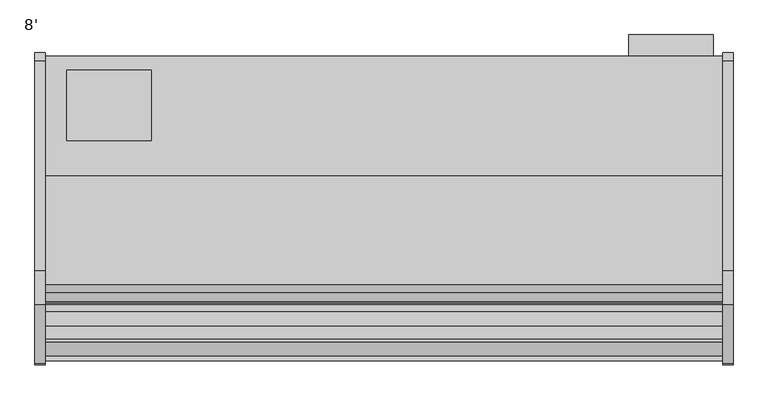
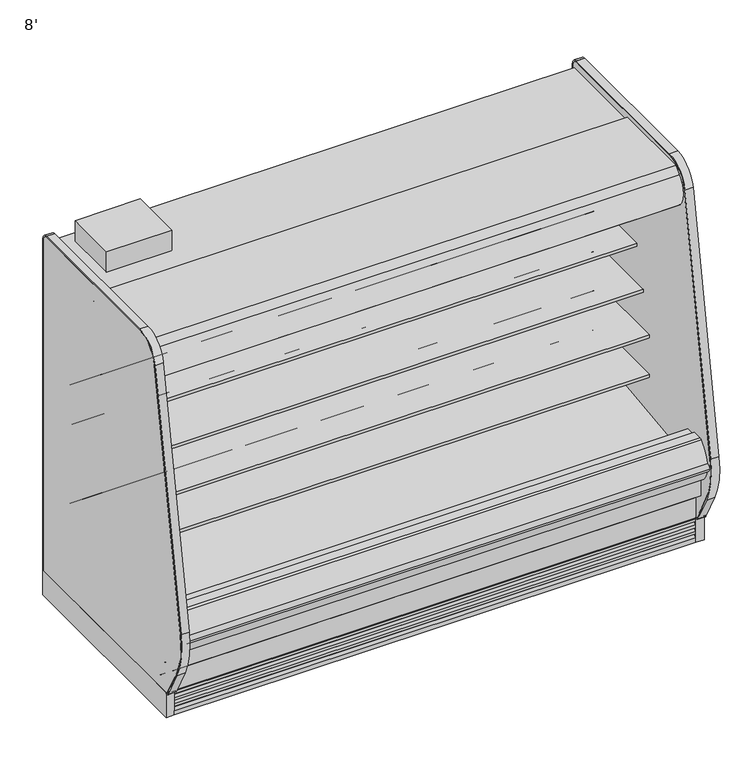
"""IFC4 building model written with IfcOpenShell, lengths in millimetres: proxy geometry, 8'."""

import ifcopenshell
import ifcopenshell.guid

model = None  # the IFC model being written
_history = None  # IfcOwnerHistory: only IFC2X3 demands one
_inside = {}  # id of a spatial element -> (the spatial element, [elements in it])
_under = {}  # id of a project, library or spatial element -> (it, [spatial elements below it])
_declared = {}  # id of a project -> (the project, [libraries it declares])
_typed = {}  # id of a type object -> (the type object, [elements of that type])
_made_of = {}  # id of a material, layer set ... -> (it, [elements and type objects made of it])


def new_model(schema):
    """Start an empty IFC model of exactly this schema.

    Asked for "IFC4X3", IfcOpenShell would pick the latest addendum, in which some entities
    have other attributes; the version numbers below select the first issue.
    IFC2X3 requires an IfcOwnerHistory on every rooted entity: one is made here for all.
    """
    global model, _history
    if schema == "IFC4X3":
        model = ifcopenshell.file(schema_version=(4, 3, 0, 0))
    else:
        model = ifcopenshell.file(schema=schema)
    _inside.clear()
    _under.clear()
    _declared.clear()
    _typed.clear()
    _made_of.clear()
    _history = None
    if model.schema == "IFC2X3":
        org = make("IfcOrganization", Name="unknown")
        user = make(
            "IfcPersonAndOrganization",
            ThePerson=make("IfcPerson", FamilyName="unknown"),
            TheOrganization=org,
        )
        app = make(
            "IfcApplication",
            ApplicationDeveloper=org,
            Version="unknown",
            ApplicationFullName="unknown",
            ApplicationIdentifier="unknown",
        )
        _history = make(
            "IfcOwnerHistory",
            OwningUser=user,
            OwningApplication=app,
            ChangeAction="ADDED",
            CreationDate=0,
        )
    return model


def make(cls, **values):
    """One entity of the class cls with the attributes given. An attribute that is None is left unset."""
    return model.create_entity(
        cls, **{name: value for name, value in values.items() if value is not None}
    )


def rooted(cls, **values):
    """An entity with a GlobalId (a new one), such as an element, a storey or a relation."""
    return make(cls, GlobalId=ifcopenshell.guid.new(), OwnerHistory=_history, **values)


def si_unit(unit_type, name, prefix=None):
    """IfcSIUnit, for example si_unit("LENGTHUNIT", "METRE", prefix="MILLI")."""
    return make("IfcSIUnit", UnitType=unit_type, Prefix=prefix, Name=name)


def assignment(units):
    """IfcUnitAssignment: the units of a project."""
    return None if units is None else make("IfcUnitAssignment", Units=units)


def point(xyz):
    """IfcCartesianPoint."""
    return None if xyz is None else make("IfcCartesianPoint", Coordinates=xyz)


def direction(xyz):
    """IfcDirection."""
    return None if xyz is None else make("IfcDirection", DirectionRatios=xyz)


def frame(location, z_axis=None, x_axis=None):
    """IfcAxis2Placement3D, a coordinate frame: its origin and axes. An axis left out is left unset."""
    return make(
        "IfcAxis2Placement3D",
        Location=point(location),
        Axis=direction(z_axis),
        RefDirection=direction(x_axis),
    )


def frame_2d(location, x_axis=None):
    """IfcAxis2Placement2D, a coordinate frame in the plane: its origin and x axis."""
    return make(
        "IfcAxis2Placement2D", Location=point(location), RefDirection=direction(x_axis)
    )


def origin():
    """The frame at (0, 0, 0) with its axes left unset."""
    return frame((0.0, 0.0, 0.0))


def origin_with_axes():
    """The frame at (0, 0, 0) with the z axis (0, 0, 1) and the x axis (1, 0, 0) written out."""
    return frame((0.0, 0.0, 0.0), z_axis=(0.0, 0.0, 1.0), x_axis=(1.0, 0.0, 0.0))


def place(relative_to, where):
    """IfcLocalPlacement: puts the frame where relative to a parent placement (None: the world)."""
    return make(
        "IfcLocalPlacement", PlacementRelTo=relative_to, RelativePlacement=where
    )


def context(
    kind, dimensions, precision=None, world=None, true_north=None, identifier=None
):
    """IfcGeometricRepresentationContext, for example the 3D "Model" context."""
    return make(
        "IfcGeometricRepresentationContext",
        ContextIdentifier=identifier,
        ContextType=kind,
        CoordinateSpaceDimension=dimensions,
        Precision=precision,
        WorldCoordinateSystem=world,
        TrueNorth=true_north,
    )


def project(units=None, contexts=None):
    """IfcProject with its units and contexts."""
    return rooted(
        "IfcProject",
        Name="project",
        RepresentationContexts=contexts,
        UnitsInContext=assignment(units),
    )


def spatial(cls, under=None, at=None, **own):
    """A site, building, storey or space (cls), placed at a placement, below another one or the project."""
    s = rooted(cls, ObjectPlacement=at, **own)
    if under is not None:
        _under.setdefault(under.id(), (under, []))[1].append(s)
    return s


def polyline(points):
    """IfcPolyline through the points."""
    return make("IfcPolyline", Points=[point(p) for p in points])


def circle_curve(where, radius):
    """IfcCircle in the frame where."""
    return make("IfcCircle", Position=where, Radius=radius)


def trimmed(basis, trim1, trim2, sense, master):
    """IfcTrimmedCurve: the piece of a basis curve between two trims."""
    return make(
        "IfcTrimmedCurve",
        BasisCurve=basis,
        Trim1=trim1,
        Trim2=trim2,
        SenseAgreement=sense,
        MasterRepresentation=master,
    )


def segment(curve, same_sense, transition):
    """IfcCompositeCurveSegment."""
    return make(
        "IfcCompositeCurveSegment",
        Transition=transition,
        SameSense=same_sense,
        ParentCurve=curve,
    )


def composite_curve(segments, self_intersect=None):
    """IfcCompositeCurve: segments joined end to end."""
    return make("IfcCompositeCurve", Segments=segments, SelfIntersect=self_intersect)


def outline(outer, holes=None, kind="AREA"):
    """IfcArbitraryClosedProfileDef: a profile drawn as a closed curve; with holes, ...WithVoids."""
    if holes is None:
        return make("IfcArbitraryClosedProfileDef", ProfileType=kind, OuterCurve=outer)
    return make(
        "IfcArbitraryProfileDefWithVoids",
        ProfileType=kind,
        OuterCurve=outer,
        InnerCurves=holes,
    )


def extrude(swept, where, along, depth):
    """IfcExtrudedAreaSolid: the profile swept, set in the frame where, extruded along a direction by depth."""
    return make(
        "IfcExtrudedAreaSolid",
        SweptArea=swept,
        Position=where,
        ExtrudedDirection=direction(along),
        Depth=depth,
    )


def faces_of(points, faces, orient=None, outer=None):
    """IfcFace entities. A face is a list of loops; a loop is a list of indices into points, from 0.

    orient and outer hold one flag for each loop. By default every Orientation is true, the
    first loop of a face is its IfcFaceOuterBound and the others are IfcFaceBound.
    """
    made = []
    for i, loops in enumerate(faces):
        bounds = []
        for j, loop in enumerate(loops):
            is_outer = j == 0 if outer is None else outer[i][j]
            bounds.append(
                make(
                    "IfcFaceOuterBound" if is_outer else "IfcFaceBound",
                    Bound=make("IfcPolyLoop", Polygon=[points[k] for k in loop]),
                    Orientation=True if orient is None else orient[i][j],
                )
            )
        made.append(make("IfcFace", Bounds=bounds))
    return made


def faceted_brep(points, faces, orient=None, outer=None, voids=None):
    """IfcFacetedBrep: a solid bounded by flat faces; with voids (closed shells), ...WithVoids."""
    shared = [point(p) for p in points]
    hull = make("IfcClosedShell", CfsFaces=faces_of(shared, faces, orient, outer))
    if voids is None:
        return make("IfcFacetedBrep", Outer=hull)
    return make(
        "IfcFacetedBrepWithVoids",
        Outer=hull,
        Voids=[
            make(cls, CfsFaces=faces_of(shared, fs, o, b)) for cls, fs, o, b in voids
        ],
    )


def shape(context_of_items, identifier, shape_type, items):
    """IfcShapeRepresentation: the items that make up one representation, for example the "Body"."""
    return make(
        "IfcShapeRepresentation",
        ContextOfItems=context_of_items,
        RepresentationIdentifier=identifier,
        RepresentationType=shape_type,
        Items=items,
    )


def source(mapping_origin, context_of_items, identifier, shape_type, items):
    """IfcRepresentationMap: a shape defined once, which mapped items show again and again."""
    return make(
        "IfcRepresentationMap",
        MappingOrigin=mapping_origin,
        MappedRepresentation=shape(context_of_items, identifier, shape_type, items),
    )


def transform(
    local_origin,
    x_axis=None,
    y_axis=None,
    z_axis=None,
    scale=None,
    scale2=None,
    scale3=None,
    uniform=True,
):
    """IfcCartesianTransformationOperator3D, or its non-uniform kind. x_axis, y_axis, z_axis: its Axis1, 2, 3."""
    if uniform:
        return make(
            "IfcCartesianTransformationOperator3D",
            Axis1=direction(x_axis),
            Axis2=direction(y_axis),
            LocalOrigin=point(local_origin),
            Scale=scale,
            Axis3=direction(z_axis),
        )
    return make(
        "IfcCartesianTransformationOperator3DnonUniform",
        Axis1=direction(x_axis),
        Axis2=direction(y_axis),
        LocalOrigin=point(local_origin),
        Scale=scale,
        Axis3=direction(z_axis),
        Scale2=scale2,
        Scale3=scale3,
    )


def mapped(mapping_source, mapping_target):
    """IfcMappedItem: shows the shape of a source again, moved by a transform."""
    return make(
        "IfcMappedItem", MappingSource=mapping_source, MappingTarget=mapping_target
    )


def made_of(thing, what):
    """Note that an element or type object is made of a material, layer set ...; save() writes the relation."""
    if what is not None:
        _made_of.setdefault(what.id(), (what, []))[1].append(thing)
    return thing


def element(
    cls,
    number,
    at=None,
    inside=None,
    cuts=None,
    type_object=None,
    material=None,
    context=None,
    identifier="Body",
    shape_type=None,
    held_by="IfcProductDefinitionShape",
    body=None,
    shapes=None,
    **own,
):
    """One element of the class cls, such as IfcWall. Its Tag is "e" and its number.

    at: its placement. inside: the storey or other place that contains it. cuts: it is an
    opening in that element (IfcRelVoidsElement). A single representation is given by context,
    identifier, shape_type and body (its items); several are given by shapes. held_by: the class
    of the entity that holds the representations. save() writes the other relations.
    """
    e = rooted(cls, Tag="e%d" % number, ObjectPlacement=at, **own)
    if body is not None:
        shapes = [shape(context, identifier, shape_type, body)]
    if shapes is not None:
        e.Representation = make(held_by, Representations=shapes)
    if inside is not None:
        _inside.setdefault(inside.id(), (inside, []))[1].append(e)
    if cuts is not None:
        rooted(
            "IfcRelVoidsElement", RelatingBuildingElement=cuts, RelatedOpeningElement=e
        )
    if type_object is not None:
        _typed.setdefault(type_object.id(), (type_object, []))[1].append(e)
    return made_of(e, material)


def aggregate(whole, parts):
    """IfcRelAggregates: a whole, such as a stair, and the parts it consists of."""
    return rooted("IfcRelAggregates", RelatingObject=whole, RelatedObjects=parts)


def save(model, path):
    """Write the relations noted so far, then the file.

    IfcRelAggregates (storeys below a building ...), IfcRelContainedInSpatialStructure (elements
    in a storey), IfcRelDefinesByType, IfcRelAssociatesMaterial and IfcRelDeclares: one each for
    every whole, place, type object, material and project.
    """
    for whole, parts in _under.values():
        aggregate(whole, parts)
    for where, things in _inside.values():
        rooted(
            "IfcRelContainedInSpatialStructure",
            RelatedElements=things,
            RelatingStructure=where,
        )
    for kind, things in _typed.values():
        rooted("IfcRelDefinesByType", RelatedObjects=things, RelatingType=kind)
    for what, things in _made_of.values():
        rooted("IfcRelAssociatesMaterial", RelatedObjects=things, RelatingMaterial=what)
    for by, libraries in _declared.values():
        rooted("IfcRelDeclares", RelatingContext=by, RelatedDefinitions=libraries)
    model.write(path)


def plane_surface(at):
    """IfcPlane: the flat surface through the origin of the frame at, square to its z axis."""
    return make("IfcPlane", Position=at)


def revolved_surface(curve, axis_point, axis_direction):
    """IfcSurfaceOfRevolution: the curve turned about the line through axis_point along axis_direction."""
    return make(
        "IfcSurfaceOfRevolution",
        SweptCurve=make("IfcArbitraryOpenProfileDef", ProfileType="CURVE", Curve=curve),
        AxisPosition=make("IfcAxis1Placement", Location=point(axis_point), Axis=direction(axis_direction)),
    )


def advanced_brep(points, edges, surfaces, faces):
    """IfcAdvancedBrep: a solid bounded by faces that lie on surfaces and meet in shared edges.

    An edge is (start, end): straight between two places in points (the first is 0);
    or (start, end, curve); or (start, end, curve, False) where it runs against its curve.
    A face is (place in surfaces, loops), or (place, loops, False) where it looks against
    its surface's normal. A loop lists edges by number (the first is 1), with a minus sign
    where the edge is run from its end to its start. The first loop is the outer one.
    """
    corners = [point(p) for p in points]
    vertices = [make("IfcVertexPoint", VertexGeometry=c) for c in corners]
    made = []
    for start, end, *more in edges:
        made.append(
            make(
                "IfcEdgeCurve",
                EdgeStart=vertices[start],
                EdgeEnd=vertices[end],
                EdgeGeometry=more[0] if more else make("IfcPolyline", Points=[corners[start], corners[end]]),
                SameSense=more[1] if len(more) > 1 else True,
            )
        )
    hull = []
    for where, loops, *sense in faces:
        bounds = []
        for j, loop in enumerate(loops):
            ring = [make("IfcOrientedEdge", EdgeElement=made[abs(k) - 1], Orientation=k > 0) for k in loop]
            bounds.append(
                make(
                    "IfcFaceOuterBound" if j == 0 else "IfcFaceBound",
                    Bound=make("IfcEdgeLoop", EdgeList=ring),
                    Orientation=True,
                )
            )
        hull.append(make("IfcAdvancedFace", Bounds=bounds, FaceSurface=surfaces[where], SameSense=sense[0] if sense else True))
    return make("IfcAdvancedBrep", Outer=make("IfcClosedShell", CfsFaces=hull))


def proxy_8_eb4a539f(model_context):
    return source(origin(), model_context, "Body", "SolidModel", [
        extrude(outline(polyline([(381.0, -452.3089273), (381.0, -706.3089273), (76.2, -706.3089273), (76.2, -452.3089273), (381.0, -452.3089273)])), frame((0.0, 0.0, 1747.9264001), z_axis=(0.0, 0.0, 1.0), x_axis=(1.0, 0.0, 0.0)), (0.0, 0.0, 1.0), 101.6),
        extrude(outline(polyline([(2405.011073, -325.3089273), (2405.011073, -401.5089273), (2099.996077, -401.5089273), (2099.996077, -325.3089273), (2405.011073, -325.3089273)])), frame((0.0, 0.0, 186.4360001), z_axis=(0.0, 0.0, 1.0), x_axis=(1.0, 0.0, 0.0)), (0.0, 0.0, 1.0), 1447.8),
        extrude(outline(polyline([(744.7751963, -1346.7911816), (435.3523963, -1346.7911816), (435.3523963, -1249.5865659), (744.7751963, -1249.5865659), (744.7751963, -1346.7911816)])), frame((0.0, 0.0, 53.2186364), z_axis=(0.0, 0.0, 1.0), x_axis=(1.0, 0.0, 0.0)), (0.0, 0.0, 1.0), 9.8914),
        faceted_brep([(2438.4, -1207.9589273, 130.175), (2438.4, -1275.0830824, 130.175), (2438.4, -1369.8839273, 206.7143253), (2438.4, -1369.8839273, 10.9768116), (2438.4, -1207.9589273, 10.9768116), (0.0, -1207.9589273, 130.175), (0.0, -1207.9589273, 10.9768116), (0.0, -1369.8839273, 10.9768116), (0.0, -1369.8839273, 206.7143253), (0.0, -1275.0830824, 130.175), (744.7751963, -1346.7911816, 10.9768116), (744.7751963, -1249.5865659, 10.9768116), (435.3523963, -1249.5865659, 10.9768116), (435.3523963, -1346.7911816, 10.9768116), (744.7751963, -1346.7911816, 63.1100364), (435.3523963, -1346.7911816, 63.1100364), (435.3523963, -1249.5865659, 63.1100364), (744.7751963, -1249.5865659, 63.1100364)], [[[0, 1, 2, 3, 4]], [[5, 6, 7, 8, 9]], [[1, 0, 5, 9]], [[2, 1, 9, 8]], [[3, 2, 8, 7]], [[4, 3, 7, 6], [10, 11, 12, 13]], [[0, 4, 6, 5]], [[14, 15, 16, 17]], [[14, 17, 11, 10]], [[17, 16, 12, 11]], [[16, 15, 13, 12]], [[15, 14, 10, 13]]]),
        extrude(outline(composite_curve([segment(trimmed(circle_curve(frame_2d((368.3, 2358.8090336)), 12.7), [point((368.3, 2371.5090336))], [point((368.3, 2346.1090336))], False, "CARTESIAN"), True, "CONTINUOUS"), segment(trimmed(circle_curve(frame_2d((368.3, 2358.8090336)), 12.7), [point((368.3, 2346.1090336))], [point((368.3, 2371.5090336))], False, "CARTESIAN"), True, "CONTINUOUS")], self_intersect=False)), frame((0.0, -447.5561252, 0.0), z_axis=(0.0, 1.0, 0.0), x_axis=(0.0, 0.0, 1.0)), (0.0, 0.0, 1.0), 52.3971979),
        extrude(outline(composite_curve([segment(trimmed(circle_curve(frame_2d((368.3, 2320.3972115)), 9.525), [point((368.3, 2329.9222115))], [point((368.3, 2310.8722115))], False, "CARTESIAN"), True, "CONTINUOUS"), segment(trimmed(circle_curve(frame_2d((368.3, 2320.3972115)), 9.525), [point((368.3, 2310.8722115))], [point((368.3, 2329.9222115))], False, "CARTESIAN"), True, "CONTINUOUS")], self_intersect=False)), frame((0.0, -447.5561252, 0.0), z_axis=(0.0, 1.0, 0.0), x_axis=(0.0, 0.0, 1.0)), (0.0, 0.0, 1.0), 52.3971979),
        extrude(outline(composite_curve([segment(polyline([(-451.7851762, 1697.7360001), (-451.7851762, 404.745884), (-504.9331995, 404.745884), (-504.9331995, 1618.3415628)]), True, "CONTINUOUS"), segment(trimmed(circle_curve(frame_2d((-530.3331995, 1618.3415628)), 25.4), [point((-504.9331995, 1618.3415628))], [point((-530.3331995, 1643.7415628))], True, "CARTESIAN"), True, "CONTINUOUS"), segment(polyline([(-530.3331995, 1643.7415628), (-996.5139611, 1643.7415628), (-996.5139611, 1637.1817932), (-1098.1139599, 1637.1817932), (-1098.1139599, 1697.7360001), (-451.7851762, 1697.7360001)]), True, "CONTINUOUS")], self_intersect=False)), frame((0.0, 0.0, 0.0), z_axis=(1.0, 0.0, 0.0), x_axis=(0.0, 1.0, 0.0)), (0.0, 0.0, 1.0), 2438.4),
        advanced_brep(
        [(2438.4, -1428.7889874, 391.24255), (2438.4, -1428.7889874, 254.2724833), (2438.4, -1275.0830824, 130.175), (2438.4, -401.5089273, 130.175), (2438.4, -401.5089273, 1747.9264001), (2438.4, -1139.2416873, 1747.9264001), (2438.4, -1139.2416873, 1697.7360001), (2438.4, -451.7851762, 1697.7360001), (2438.4, -451.7851762, 363.9695251), (2438.4, -599.5014929, 211.662363), (2438.4, -1043.5931205, 195.6779213), (2438.4, -1096.7050237, 157.095884), (2438.4, -1163.5210307, 157.095884), (2438.4, -1221.5656168, 189.2720563), (2438.4, -1379.2843872, 341.5792153), (2438.4, -1379.2843872, 391.24255), (0.0, -1428.7889874, 391.24255), (0.0, -1379.2843872, 391.24255), (0.0, -1379.2843872, 341.5792153), (0.0, -1221.5656168, 189.2720563), (0.0, -1163.5210307, 157.095884), (0.0, -1096.7050237, 157.095884), (0.0, -1043.5931205, 195.6779213), (0.0, -599.5014929, 211.662363), (0.0, -451.7851762, 363.9695251), (0.0, -451.7851762, 1697.7360001), (0.0, -1139.2416873, 1697.7360001), (0.0, -1139.2416873, 1747.9264001), (0.0, -401.5089273, 1747.9264001), (0.0, -401.5089273, 130.175), (0.0, -1275.0830824, 130.175), (0.0, -1428.7889874, 254.2724833), (2336.8, -401.5089273, 317.5), (2336.8, -401.5089273, 419.1), (2336.8, -447.5561252, 317.5), (2336.8, -447.5561252, 419.1)],
        [
            (0, 1),
            (1, 2),
            (2, 3),
            (3, 4),
            (4, 5),
            (5, 6),
            (6, 7),
            (7, 8),
            (8, 9, circle_curve(frame((2438.4, -605.0132276, 364.7934683), z_axis=(-1.0, 0.0, 0.0), x_axis=(0.0, 1.0, 0.0)), 153.2302667)),
            (9, 10),
            (10, 11),
            (11, 12),
            (12, 13),
            (13, 14, circle_curve(frame((2438.4, -1226.8843872, 341.5792153), z_axis=(-1.0, 0.0, 0.0), x_axis=(0.0, 1.0, 0.0)), 152.4)),
            (14, 15),
            (15, 0),
            (16, 17),
            (17, 18),
            (18, 19, circle_curve(frame((0.0, -1226.8843872, 341.5792153), z_axis=(1.0, 0.0, 0.0), x_axis=(0.0, 1.0, 0.0)), 152.4)),
            (19, 20),
            (20, 21),
            (21, 22),
            (22, 23),
            (23, 24, circle_curve(frame((0.0, -605.0132276, 364.7934683), z_axis=(1.0, 0.0, 0.0), x_axis=(0.0, 1.0, 0.0)), 153.2302667)),
            (24, 25),
            (25, 26),
            (26, 27),
            (27, 28),
            (28, 29),
            (29, 30),
            (30, 31),
            (31, 16),
            (0, 16),
            (31, 1),
            (30, 2),
            (29, 3),
            (28, 4),
            (32, 33, circle_curve(frame((2336.8, -401.5089273, 368.3), z_axis=(0.0, -1.0, 0.0), x_axis=(0.0, 0.0, 1.0)), 50.8)),
            (33, 32, circle_curve(frame((2336.8, -401.5089273, 368.3), z_axis=(0.0, -1.0, 0.0), x_axis=(0.0, 0.0, 1.0)), 50.8)),
            (27, 5),
            (26, 6),
            (25, 7),
            (24, 8),
            (23, 9),
            (22, 10),
            (21, 11),
            (20, 12),
            (19, 13),
            (18, 14),
            (17, 15),
            (34, 35, circle_curve(frame((2336.8, -447.5561252, 368.3), z_axis=(0.0, 1.0, 0.0), x_axis=(0.0, 0.0, 1.0)), 50.8)),
            (35, 34, circle_curve(frame((2336.8, -447.5561252, 368.3), z_axis=(0.0, 1.0, 0.0), x_axis=(0.0, 0.0, 1.0)), 50.8)),
            (35, 33),
            (32, 34),
        ],
        [
            plane_surface(frame((2438.4, -1428.7889874, 254.2724833), z_axis=(1.0, 0.0, 0.0), x_axis=(0.0, 0.0, -1.0))),
            plane_surface(frame((0.0, -1428.7889874, 254.2724833), z_axis=(-1.0, 0.0, 0.0), x_axis=(0.0, 0.0, 1.0))),
            plane_surface(frame((2438.4, -1428.7889874, 391.24255), z_axis=(0.0, -1.0, 0.0), x_axis=(-1.0, 0.0, 0.0))),
            plane_surface(frame((2438.4, -1428.7889874, 254.2724833), z_axis=(0.0, -0.6281851642637378, -0.7780638787393622), x_axis=(-1.0, 0.0, 0.0))),
            plane_surface(frame((2438.4, -1275.0830824, 130.175), z_axis=(0.0, 0.0, -1.0), x_axis=(-1.0, 0.0, 0.0))),
            plane_surface(frame((2438.4, -401.5089273, 130.175), z_axis=(0.0, 1.0, 0.0), x_axis=(-1.0, 0.0, 0.0))),
            plane_surface(frame((2438.4, -401.5089273, 1747.9264001), z_axis=(0.0, 0.0, 1.0), x_axis=(-1.0, 0.0, 0.0))),
            plane_surface(frame((2438.4, -1139.2416873, 1747.9264001), z_axis=(0.0, -1.0, 0.0), x_axis=(-1.0, 0.0, 0.0))),
            plane_surface(frame((2438.4, -1139.2416873, 1697.7360001), z_axis=(0.0, 0.0, -1.0), x_axis=(-1.0, 0.0, 0.0))),
            plane_surface(frame((2438.4, -451.7851762, 1697.7360001), z_axis=(0.0, -1.0, 0.0), x_axis=(-1.0, 0.0, 0.0))),
            revolved_surface(polyline([(0.0, -451.78296090000003, 364.7934683), (2438.4, -451.78296090000003, 364.7934683)]), (0.0, -605.0132276, 364.7934683), (-1.0, 0.0, 0.0)),
            plane_surface(frame((2438.4, -599.5014929, 211.662363), z_axis=(0.0, -0.035970274152171335, 0.9993528602938092), x_axis=(-1.0, 0.0, 0.0))),
            plane_surface(frame((2438.4, -1043.5931205, 195.6779213), z_axis=(0.0, -0.5877252382160976, 0.8090605937529224), x_axis=(-1.0, 0.0, 0.0))),
            plane_surface(frame((2438.4, -1096.7050237, 157.095884), z_axis=(0.0, 0.0, 1.0), x_axis=(-1.0, 0.0, 0.0))),
            plane_surface(frame((2438.4, -1163.5210307, 157.095884), z_axis=(0.0, 0.48482728759131516, 0.8746099137368889), x_axis=(-1.0, 0.0, 0.0))),
            revolved_surface(polyline([(0.0, -1074.4843872, 341.5792153), (2438.4, -1074.4843872, 341.5792153)]), (0.0, -1226.8843872, 341.5792153), (-1.0, 0.0, 0.0)),
            plane_surface(frame((2438.4, -1379.2843872, 341.5792153), z_axis=(0.0, 1.0, 0.0), x_axis=(-1.0, 0.0, 0.0))),
            plane_surface(frame((2438.4, -1379.2843872, 391.24255), z_axis=(0.0, 0.0, 1.0), x_axis=(-1.0, 0.0, 0.0))),
            plane_surface(frame((2336.8, -447.5561252, 419.1), z_axis=(0.0, 1.0, 0.0), x_axis=(-1.0, 0.0, 0.0))),
            revolved_surface(polyline([(2336.8, -447.5561252, 419.1), (2336.8, -401.5089273, 419.1)]), (2336.8, -401.5089273, 368.3), (0.0, -1.0, 0.0)),
        ],
        [
            (0, [[1, 2, 3, 4, 5, 6, 7, 8, 9, 10, 11, 12, 13, 14, 15, 16]]),
            (1, [[17, 18, 19, 20, 21, 22, 23, 24, 25, 26, 27, 28, 29, 30, 31, 32]]),
            (2, [[-1, 33, -32, 34]]),
            (3, [[-2, -34, -31, 35]]),
            (4, [[-3, -35, -30, 36]]),
            (5, [[-4, -36, -29, 37], [38, 39]]),
            (6, [[-5, -37, -28, 40]]),
            (7, [[-6, -40, -27, 41]]),
            (8, [[-7, -41, -26, 42]]),
            (9, [[-8, -42, -25, 43]]),
            (10, [[-9, -43, -24, 44]]),
            (11, [[-10, -44, -23, 45]]),
            (12, [[-11, -45, -22, 46]]),
            (13, [[-12, -46, -21, 47]]),
            (14, [[-13, -47, -20, 48]]),
            (15, [[-14, -48, -19, 49]]),
            (16, [[-15, -49, -18, 50]]),
            (17, [[-16, -50, -17, -33]]),
            (18, [[51, 52]]),
            (19, [[-52, 53, -38, 54]]),
            (19, [[-51, -54, -39, -53]]),
        ],
    ),
        extrude(outline(composite_curve([segment(polyline([(-1324.3309113, 373.0751999), (-1297.0132113, 373.0751999), (-1291.5716401, 375.0168392), (-610.6406734, 456.5929299), (-610.1926758, 450.1862651), (-516.7472923, 456.7206028)]), True, "CONTINUOUS"), segment(trimmed(circle_curve(frame_2d((-517.6331995, 469.3896663)), 12.7), [point((-516.7472923, 456.7206028))], [point((-504.9331995, 469.3896663))], True, "CARTESIAN"), True, "CONTINUOUS"), segment(polyline([(-504.9331995, 469.3896663), (-504.9331995, 404.745884), (-451.7851762, 404.745884), (-451.7851762, 363.9695251)]), True, "CONTINUOUS"), segment(trimmed(circle_curve(frame_2d((-605.0132276, 364.7934683)), 153.2302667), [point((-451.7851762, 363.9695251))], [point((-599.5014929, 211.662363))], False, "CARTESIAN"), True, "CONTINUOUS"), segment(polyline([(-599.5014929, 211.662363), (-1043.5931205, 195.6779213), (-1096.7050237, 157.095884), (-1163.5210307, 157.095884), (-1221.5656168, 189.2720563)]), True, "CONTINUOUS"), segment(trimmed(circle_curve(frame_2d((-1226.8843872, 341.5792153)), 152.4), [point((-1221.5656168, 189.2720563))], [point((-1379.2843872, 341.5792153))], False, "CARTESIAN"), True, "CONTINUOUS"), segment(polyline([(-1379.2843872, 341.5792153), (-1379.2843872, 521.2079999), (-1324.3309113, 521.2079999), (-1324.3309113, 373.0751999)]), True, "CONTINUOUS")], self_intersect=False)), frame((0.0, 0.0, 0.0), z_axis=(1.0, 0.0, 0.0), x_axis=(0.0, 1.0, 0.0)), (0.0, 0.0, 1.0), 2438.4),
        extrude(outline(composite_curve([segment(trimmed(circle_curve(frame_2d((1219.2, -1128.5839273)), 38.1), [point((1181.1, -1128.5839273))], [point((1257.3, -1128.5839273))], False, "CARTESIAN"), True, "CONTINUOUS"), segment(trimmed(circle_curve(frame_2d((1219.2, -1128.5839273)), 38.1), [point((1257.3, -1128.5839273))], [point((1181.1, -1128.5839273))], False, "CARTESIAN"), True, "CONTINUOUS")], self_intersect=False)), frame((0.0, 0.0, 66.7090149), z_axis=(0.0, 0.0, 1.0), x_axis=(1.0, 0.0, 0.0)), (0.0, 0.0, 1.0), 57.1159851),
        extrude(outline(composite_curve([segment(trimmed(circle_curve(frame_2d((2242.8146724, -1128.5839273)), 12.7), [point((2230.1146724, -1128.5839273))], [point((2255.5146724, -1128.5839273))], False, "CARTESIAN"), True, "CONTINUOUS"), segment(trimmed(circle_curve(frame_2d((2242.8146724, -1128.5839273)), 12.7), [point((2255.5146724, -1128.5839273))], [point((2230.1146724, -1128.5839273))], False, "CARTESIAN"), True, "CONTINUOUS")], self_intersect=False)), frame((0.0, 0.0, 66.7090149), z_axis=(0.0, 0.0, 1.0), x_axis=(1.0, 0.0, 0.0)), (0.0, 0.0, 1.0), 57.1159851),
        extrude(outline(composite_curve([segment(trimmed(circle_curve(frame_2d((2197.0012671, -1128.5839273)), 9.525), [point((2187.4762671, -1128.5839273))], [point((2206.5262671, -1128.5839273))], False, "CARTESIAN"), True, "CONTINUOUS"), segment(trimmed(circle_curve(frame_2d((2197.0012671, -1128.5839273)), 9.525), [point((2206.5262671, -1128.5839273))], [point((2187.4762671, -1128.5839273))], False, "CARTESIAN"), True, "CONTINUOUS")], self_intersect=False)), frame((0.0, 0.0, 66.7090149), z_axis=(0.0, 0.0, 1.0), x_axis=(1.0, 0.0, 0.0)), (0.0, 0.0, 1.0), 57.1159851),
        advanced_brep(
        [(2438.4, -401.5089273, 0.0), (2438.4, -401.5089273, 130.175), (2438.4, -1207.9589273, 130.175), (2438.4, -1207.9589273, 0.0), (2438.4, -1161.1594273, 0.0), (2438.4, -1161.1594273, 74.8810382), (2438.4, -446.7209273, 74.8810382), (2438.4, -446.7209273, 0.0), (0.0, -401.5089273, 0.0), (0.0, -446.7209273, 0.0), (0.0, -446.7209273, 74.8810382), (0.0, -1161.1594273, 74.8810382), (0.0, -1161.1594273, 0.0), (0.0, -1207.9589273, 0.0), (0.0, -1207.9589273, 130.175), (0.0, -401.5089273, 130.175), (1180.2195331, -1161.1594273, 0.0), (1258.1804669, -1161.1594273, 0.0), (2183.5195331, -1161.1594273, 0.0), (2261.4804669, -1161.1594273, 0.0), (2261.4804669, -1161.1594273, 74.8810382), (1180.2195331, -1161.1594273, 74.8810382), (1258.1804669, -1161.1594273, 74.8810382), (2183.5195331, -1161.1594273, 74.8810382), (2273.3, -1128.5839273, 74.8810382), (2171.7, -1128.5839273, 74.8810382), (1270.0, -1128.5839273, 74.8810382), (1168.4, -1128.5839273, 74.8810382), (1168.4, -1128.5839273, 123.825), (1270.0, -1128.5839273, 123.825), (2171.7, -1128.5839273, 123.825), (2273.3, -1128.5839273, 123.825)],
        [
            (0, 1),
            (1, 2),
            (2, 3),
            (3, 4),
            (4, 5),
            (5, 6),
            (6, 7),
            (7, 0),
            (8, 9),
            (9, 10),
            (10, 11),
            (11, 12),
            (12, 13),
            (13, 14),
            (14, 15),
            (15, 8),
            (0, 8),
            (15, 1),
            (14, 2),
            (13, 3),
            (12, 16),
            (16, 17, circle_curve(frame((1219.2, -1128.5839273, 0.0), z_axis=(0.0, 0.0, 1.0), x_axis=(1.0, 0.0, 0.0)), 50.8)),
            (17, 18),
            (18, 19, circle_curve(frame((2222.5, -1128.5839273, 0.0), z_axis=(0.0, 0.0, 1.0), x_axis=(1.0, 0.0, 0.0)), 50.8)),
            (19, 4),
            (19, 20),
            (20, 5),
            (11, 21),
            (21, 16),
            (17, 22),
            (22, 23),
            (23, 18),
            (20, 24, circle_curve(frame((2222.5, -1128.5839273, 74.8810382), z_axis=(0.0, 0.0, 1.0), x_axis=(1.0, 0.0, 0.0)), 50.8)),
            (24, 25, circle_curve(frame((2222.5, -1128.5839273, 74.8810382), z_axis=(0.0, 0.0, 1.0), x_axis=(1.0, 0.0, 0.0)), 50.8)),
            (25, 23, circle_curve(frame((2222.5, -1128.5839273, 74.8810382), z_axis=(0.0, 0.0, 1.0), x_axis=(1.0, 0.0, 0.0)), 50.8)),
            (22, 26, circle_curve(frame((1219.2, -1128.5839273, 74.8810382), z_axis=(0.0, 0.0, 1.0), x_axis=(1.0, 0.0, 0.0)), 50.8)),
            (26, 27, circle_curve(frame((1219.2, -1128.5839273, 74.8810382), z_axis=(0.0, 0.0, 1.0), x_axis=(1.0, 0.0, 0.0)), 50.8)),
            (27, 21, circle_curve(frame((1219.2, -1128.5839273, 74.8810382), z_axis=(0.0, 0.0, 1.0), x_axis=(1.0, 0.0, 0.0)), 50.8)),
            (10, 6),
            (9, 7),
            (28, 29, circle_curve(frame((1219.2, -1128.5839273, 123.825), z_axis=(0.0, 0.0, -1.0), x_axis=(1.0, 0.0, 0.0)), 50.8)),
            (29, 28, circle_curve(frame((1219.2, -1128.5839273, 123.825), z_axis=(0.0, 0.0, -1.0), x_axis=(1.0, 0.0, 0.0)), 50.8)),
            (29, 26),
            (27, 28),
            (30, 31, circle_curve(frame((2222.5, -1128.5839273, 123.825), z_axis=(0.0, 0.0, -1.0), x_axis=(1.0, 0.0, 0.0)), 50.8)),
            (31, 30, circle_curve(frame((2222.5, -1128.5839273, 123.825), z_axis=(0.0, 0.0, -1.0), x_axis=(1.0, 0.0, 0.0)), 50.8)),
            (31, 24),
            (25, 30),
        ],
        [
            plane_surface(frame((2438.4, -401.5089273, 1893.5715584), z_axis=(1.0, 0.0, 0.0), x_axis=(0.0, 0.0, 1.0))),
            plane_surface(frame((0.0, -401.5089273, 1893.5715584), z_axis=(-1.0, 0.0, 0.0), x_axis=(0.0, 0.0, -1.0))),
            plane_surface(frame((2438.4, -401.5089273, 0.0), z_axis=(0.0, 1.0, 0.0), x_axis=(-1.0, 0.0, 0.0))),
            plane_surface(frame((2438.4, -401.5089273, 130.175), z_axis=(0.0, 0.0, 1.0), x_axis=(-1.0, 0.0, 0.0))),
            plane_surface(frame((2438.4, -1207.9589273, 130.175), z_axis=(0.0, -1.0, 0.0), x_axis=(-1.0, 0.0, 0.0))),
            plane_surface(frame((2438.4, -1207.9589273, 0.0), z_axis=(0.0, 0.0, -1.0), x_axis=(-1.0, 0.0, 0.0))),
            plane_surface(frame((2438.4, -1161.1594273, 0.0), z_axis=(0.0, 1.0, 0.0), x_axis=(-1.0, 0.0, 0.0))),
            plane_surface(frame((2438.4, -1161.1594273, 74.8810382), z_axis=(0.0, 0.0, -1.0), x_axis=(-1.0, 0.0, 0.0))),
            plane_surface(frame((2438.4, -446.7209273, 74.8810382), z_axis=(0.0, -1.0, 0.0), x_axis=(-1.0, 0.0, 0.0))),
            plane_surface(frame((2438.4, -446.7209273, 0.0), z_axis=(0.0, 0.0, -1.0), x_axis=(-1.0, 0.0, 0.0))),
            plane_surface(frame((1270.0, -1128.5839273, 123.825), z_axis=(0.0, 0.0, -1.0), x_axis=(0.0, 1.0, 0.0))),
            revolved_surface(polyline([(1270.0, -1128.5839273, 123.825), (1270.0, -1128.5839273, 0.0)]), (1219.2, -1128.5839273, 0.0), (0.0, 0.0, 1.0)),
            revolved_surface(polyline([(1270.0, -1128.5839273, 123.825), (1270.0, -1128.5839273, 74.8810382)]), (1219.2, -1128.5839273, 0.0), (0.0, 0.0, 1.0)),
            plane_surface(frame((2273.3, -1128.5839273, 123.825), z_axis=(0.0, 0.0, -1.0), x_axis=(0.0, 1.0, 0.0))),
            revolved_surface(polyline([(2273.3, -1128.5839273, 123.825), (2273.3, -1128.5839273, 0.0)]), (2222.5, -1128.5839273, 0.0), (0.0, 0.0, 1.0)),
            revolved_surface(polyline([(2273.3, -1128.5839273, 123.825), (2273.3, -1128.5839273, 74.8810382)]), (2222.5, -1128.5839273, 0.0), (0.0, 0.0, 1.0)),
        ],
        [
            (0, [[1, 2, 3, 4, 5, 6, 7, 8]]),
            (1, [[9, 10, 11, 12, 13, 14, 15, 16]]),
            (2, [[-1, 17, -16, 18]]),
            (3, [[-2, -18, -15, 19]]),
            (4, [[-3, -19, -14, 20]]),
            (5, [[-4, -20, -13, 21, 22, 23, 24, 25]]),
            (6, [[-5, -25, 26, 27]]),
            (6, [[-12, 28, 29, -21]]),
            (6, [[30, 31, 32, -23]]),
            (7, [[-6, -27, 33, 34, 35, -31, 36, 37, 38, -28, -11, 39]]),
            (8, [[-7, -39, -10, 40]]),
            (9, [[-8, -40, -9, -17]]),
            (10, [[41, 42]]),
            (11, [[-42, 43, -36, -30, -22, -29, -38, 44]]),
            (12, [[-41, -44, -37, -43]]),
            (13, [[45, 46]]),
            (14, [[-46, 47, -33, -26, -24, -32, -35, 48]]),
            (15, [[-45, -48, -34, -47]]),
        ],
    ),
        extrude(outline(polyline([(2476.5, -388.8089273), (2476.5, -1388.9339273), (2438.4, -1388.9339273), (2438.4, -388.8089273), (2476.5, -388.8089273)])), origin_with_axes(), (0.0, 0.0, 1.0), 123.825),
        extrude(outline(polyline([(2438.4, -996.5139611), (2438.4, -1098.1139599), (0.0, -1098.1139599), (0.0, -996.5139611), (2438.4, -996.5139611)])), frame((0.0, 0.0, 1611.781792), z_axis=(0.0, 0.0, 1.0), x_axis=(1.0, 0.0, 0.0)), (0.0, 0.0, 1.0), 25.4000011),
        extrude(outline(composite_curve([segment(polyline([(-834.1197918, 1747.9264001), (-1139.2416873, 1747.9264001), (-1139.2416873, 1697.7360001), (-1098.1139599, 1697.7360001), (-1098.1139599, 1611.781792), (-1102.0441706, 1611.781792), (-1145.2982964, 1638.6902586), (-1229.1846298, 1638.6902586), (-1234.6028577, 1609.3156271), (-1242.6978272, 1602.7581239), (-1244.4566599, 1596.9057625), (-1247.8744356, 1591.5734097)]), True, "CONTINUOUS"), segment(trimmed(circle_curve(frame_2d((-1254.9813118, 1596.1285676)), 8.4413951), [point((-1247.8744356, 1591.5734097))], [point((-1261.3923737, 1590.637171))], False, "CARTESIAN"), True, "CONTINUOUS"), segment(trimmed(circle_curve(frame_2d((-1181.3177231, 1659.2251311)), 105.4336661), [point((-1261.3923737, 1590.637171))], [point((-1254.3783459, 1735.2409409))], False, "CARTESIAN"), True, "CONTINUOUS"), segment(trimmed(circle_curve(frame_2d((-1721.3249588, 2221.0748085)), 673.8498988), [point((-1254.3783459, 1735.2409409))], [point((-1224.995421, 1765.3))], True, "CARTESIAN"), True, "CONTINUOUS"), segment(polyline([(-1224.995421, 1765.3), (-834.1197918, 1765.3), (-834.1197918, 1747.9264001)]), True, "CONTINUOUS")], self_intersect=False)), frame((0.0, 0.0, 0.0), z_axis=(1.0, 0.0, 0.0), x_axis=(0.0, 1.0, 0.0)), (0.0, 0.0, 1.0), 2438.4),
        extrude(outline(composite_curve([segment(trimmed(circle_curve(frame_2d((-775.1768909, 1614.4334873)), 14.2875), [point((-789.4643909, 1614.4334873))], [point((-760.8893909, 1614.4334873))], False, "CARTESIAN"), True, "CONTINUOUS"), segment(trimmed(circle_curve(frame_2d((-775.1768909, 1614.4334873)), 14.2875), [point((-760.8893909, 1614.4334873))], [point((-789.4643909, 1614.4334873))], False, "CARTESIAN"), True, "CONTINUOUS")], self_intersect=False)), frame((0.0, 0.0, 0.0), z_axis=(1.0, 0.0, 0.0), x_axis=(0.0, 1.0, 0.0)), (0.0, 0.0, 1.0), 2438.4),
        extrude(outline(composite_curve([segment(trimmed(circle_curve(frame_2d((-1161.5261636, 1620.5311052)), 14.2875), [point((-1175.8136636, 1620.5311052))], [point((-1147.2386636, 1620.5311052))], False, "CARTESIAN"), True, "CONTINUOUS"), segment(trimmed(circle_curve(frame_2d((-1161.5261636, 1620.5311052)), 14.2875), [point((-1147.2386636, 1620.5311052))], [point((-1175.8136636, 1620.5311052))], False, "CARTESIAN"), True, "CONTINUOUS")], self_intersect=False)), frame((0.0, 0.0, 0.0), z_axis=(1.0, 0.0, 0.0), x_axis=(0.0, 1.0, 0.0)), (0.0, 0.0, 1.0), 2438.4),
        extrude(outline(composite_curve([segment(trimmed(circle_curve(frame_2d((-1206.6074088, 1621.0573227)), 14.2875), [point((-1220.8949088, 1621.0573227))], [point((-1192.3199088, 1621.0573227))], False, "CARTESIAN"), True, "CONTINUOUS"), segment(trimmed(circle_curve(frame_2d((-1206.6074088, 1621.0573227)), 14.2875), [point((-1192.3199088, 1621.0573227))], [point((-1220.8949088, 1621.0573227))], False, "CARTESIAN"), True, "CONTINUOUS")], self_intersect=False)), frame((0.0, 0.0, 0.0), z_axis=(1.0, 0.0, 0.0), x_axis=(0.0, 1.0, 0.0)), (0.0, 0.0, 1.0), 2438.4),
        extrude(outline(polyline([(-755.2139611, 1643.7415628), (-755.2139611, 1642.1540628), (-767.1202111, 1642.1540628), (-802.8389611, 1618.3415628), (-802.8389611, 1642.1540628), (-823.4764611, 1642.1540628), (-823.4764611, 1583.5761808), (-820.1998305, 1567.4468459), (-821.7555536, 1567.130805), (-825.0639611, 1583.4165628), (-825.0639611, 1643.7415628), (-755.2139611, 1643.7415628)])), frame((0.0, 0.0, 0.0), z_axis=(1.0, 0.0, 0.0), x_axis=(0.0, 1.0, 0.0)), (0.0, 0.0, 1.0), 2438.4),
        extrude(outline(polyline([(-524.5538195, 1364.7404382), (-699.0292362, 1609.345951), (-692.6360518, 1611.3180598), (-519.384186, 1368.427902), (-524.5538195, 1364.7404382)])), frame((0.0, 0.0, 0.0), z_axis=(1.0, 0.0, 0.0), x_axis=(0.0, 1.0, 0.0)), (0.0, 0.0, 1.0), 2438.4),
        extrude(outline(composite_curve([segment(polyline([(-504.9331995, 1389.1244166), (-504.9331995, 1351.0251669)]), True, "CONTINUOUS"), segment(trimmed(circle_curve(frame_2d((-507.7906995, 1351.0251669)), 2.8575), [point((-504.9331995, 1351.0251669))], [point((-506.6741853, 1348.3948242))], False, "CARTESIAN"), True, "CONTINUOUS"), segment(polyline([(-506.6741853, 1348.3948242), (-515.7704668, 1344.5336819)]), True, "CONTINUOUS"), segment(trimmed(circle_curve(frame_2d((-516.8869809, 1347.1640245)), 2.8575), [point((-515.7704668, 1344.5336819))], [point((-519.4330321, 1345.8667466))], False, "CARTESIAN"), True, "CONTINUOUS"), segment(polyline([(-519.4330321, 1345.8667466), (-527.3608411, 1361.425948)]), True, "CONTINUOUS"), segment(trimmed(circle_curve(frame_2d((-526.2292629, 1362.0025159)), 1.27), [point((-527.3608411, 1361.425948))], [point((-526.8058308, 1363.1340942))], False, "CARTESIAN"), True, "CONTINUOUS"), segment(polyline([(-526.8058308, 1363.1340942), (-519.384186, 1368.427902), (-507.5996446, 1351.9065843), (-506.2031995, 1351.0251669), (-506.2031995, 1389.1244166), (-504.9331995, 1389.1244166)]), True, "CONTINUOUS")], self_intersect=False)), frame((0.0, 0.0, 0.0), z_axis=(1.0, 0.0, 0.0), x_axis=(0.0, 1.0, 0.0)), (0.0, 0.0, 1.0), 2438.4),
        extrude(outline(composite_curve([segment(polyline([(-697.0188534, 1617.462521), (-692.6360518, 1611.3180598), (-701.6311946, 1608.5433237)]), True, "CONTINUOUS"), segment(trimmed(circle_curve(frame_2d((-702.2914708, 1610.6838079)), 2.2400083), [point((-701.6311946, 1608.5433237))], [point((-703.4764456, 1608.7828943))], False, "CARTESIAN"), True, "CONTINUOUS"), segment(polyline([(-703.4764456, 1608.7828943), (-727.5060675, 1642.4711818), (-743.3810675, 1642.4711818), (-743.3810675, 1643.7411818), (-727.5060675, 1643.7411818)]), True, "CONTINUOUS"), segment(trimmed(circle_curve(frame_2d((-727.5060675, 1642.4711818)), 1.27), [point((-727.5060675, 1643.7411818))], [point((-726.4721408, 1643.2086746))], False, "CARTESIAN"), True, "CONTINUOUS"), segment(polyline([(-726.4721408, 1643.2086746), (-714.3244423, 1626.1782294), (-704.636549, 1633.0885365)]), True, "CONTINUOUS"), segment(trimmed(circle_curve(frame_2d((-703.8990563, 1632.0546097)), 1.27), [point((-704.636549, 1633.0885365))], [point((-702.8651296, 1632.7921025))], False, "CARTESIAN"), True, "CONTINUOUS"), segment(polyline([(-702.8651296, 1632.7921025), (-693.6464701, 1619.8680186), (-697.0188534, 1617.462521)]), True, "CONTINUOUS")], self_intersect=False)), frame((0.0, 0.0, 0.0), z_axis=(1.0, 0.0, 0.0), x_axis=(0.0, 1.0, 0.0)), (0.0, 0.0, 1.0), 2438.4),
        extrude(outline(composite_curve([segment(polyline([(-504.9331995, 603.1377781), (-504.9331995, 528.0367518), (-528.313746, 528.0367518)]), True, "CONTINUOUS"), segment(trimmed(circle_curve(frame_2d((-528.7455821, 553.4330806)), 25.4), [point((-528.313746, 528.0367518))], [point((-544.7229383, 533.6875979))], False, "CARTESIAN"), True, "CONTINUOUS"), segment(polyline([(-544.7229383, 533.6875979), (-562.5749995, 548.1328634)]), True, "CONTINUOUS"), segment(trimmed(circle_curve(frame_2d((-602.5183901, 498.7691567)), 63.5), [point((-562.5749995, 548.1328634))], [point((-594.6205089, 561.7760886))], True, "CARTESIAN"), True, "CONTINUOUS"), segment(polyline([(-594.6205089, 561.7760886), (-869.1842482, 585.473226), (-870.6730247, 588.9137781), (-1012.9331995, 588.9137781), (-1012.9331995, 603.1377781), (-504.9331995, 603.1377781)]), True, "CONTINUOUS")], self_intersect=False)), frame((0.0, 0.0, 0.0), z_axis=(1.0, 0.0, 0.0), x_axis=(0.0, 1.0, 0.0)), (0.0, 0.0, 1.0), 2438.4),
        extrude(outline(composite_curve([segment(polyline([(-504.9331995, 796.951863), (-504.9331995, 721.8508366), (-528.313746, 721.8508366)]), True, "CONTINUOUS"), segment(trimmed(circle_curve(frame_2d((-528.7455821, 747.2471655)), 25.4), [point((-528.313746, 721.8508366))], [point((-544.7229383, 727.5016828))], False, "CARTESIAN"), True, "CONTINUOUS"), segment(polyline([(-544.7229383, 727.5016828), (-562.5749995, 741.9469483)]), True, "CONTINUOUS"), segment(trimmed(circle_curve(frame_2d((-602.5183901, 692.5832415)), 63.5), [point((-562.5749995, 741.9469483))], [point((-594.6205089, 755.5901735))], True, "CARTESIAN"), True, "CONTINUOUS"), segment(polyline([(-594.6205089, 755.5901735), (-869.1842482, 779.2873109), (-870.6730247, 782.727863), (-1012.9331995, 782.727863), (-1012.9331995, 796.951863), (-504.9331995, 796.951863)]), True, "CONTINUOUS")], self_intersect=False)), frame((0.0, 0.0, 0.0), z_axis=(1.0, 0.0, 0.0), x_axis=(0.0, 1.0, 0.0)), (0.0, 0.0, 1.0), 2438.4),
        extrude(outline(composite_curve([segment(polyline([(-504.9331995, 990.7659479), (-504.9331995, 915.6649215), (-528.313746, 915.6649215)]), True, "CONTINUOUS"), segment(trimmed(circle_curve(frame_2d((-528.7455821, 941.0612503)), 25.4), [point((-528.313746, 915.6649215))], [point((-544.7229383, 921.3157676))], False, "CARTESIAN"), True, "CONTINUOUS"), segment(polyline([(-544.7229383, 921.3157676), (-562.5749995, 935.7610332)]), True, "CONTINUOUS"), segment(trimmed(circle_curve(frame_2d((-602.5183901, 886.3973264)), 63.5), [point((-562.5749995, 935.7610332))], [point((-594.6205089, 949.4042583))], True, "CARTESIAN"), True, "CONTINUOUS"), segment(polyline([(-594.6205089, 949.4042583), (-869.1842482, 973.1013958), (-870.6730247, 976.5419479), (-962.1331995, 976.5419479), (-962.1331995, 990.7659479), (-504.9331995, 990.7659479)]), True, "CONTINUOUS")], self_intersect=False)), frame((0.0, 0.0, 0.0), z_axis=(1.0, 0.0, 0.0), x_axis=(0.0, 1.0, 0.0)), (0.0, 0.0, 1.0), 2438.4),
        extrude(outline(composite_curve([segment(polyline([(-504.9331995, 1188.9777893), (-504.9331995, 1113.876763), (-528.313746, 1113.876763)]), True, "CONTINUOUS"), segment(trimmed(circle_curve(frame_2d((-528.7455821, 1139.2730918)), 25.4), [point((-528.313746, 1113.876763))], [point((-544.7229383, 1119.5276091))], False, "CARTESIAN"), True, "CONTINUOUS"), segment(polyline([(-544.7229383, 1119.5276091), (-562.5749995, 1133.9728746)]), True, "CONTINUOUS"), segment(trimmed(circle_curve(frame_2d((-602.5183901, 1084.6091679)), 63.5), [point((-562.5749995, 1133.9728746))], [point((-594.6205089, 1147.6160998))], True, "CARTESIAN"), True, "CONTINUOUS"), segment(polyline([(-594.6205089, 1147.6160998), (-869.1842482, 1171.3132372), (-870.6730247, 1174.7537893), (-911.3331995, 1174.7537893), (-911.3331995, 1188.9777893), (-504.9331995, 1188.9777893)]), True, "CONTINUOUS")], self_intersect=False)), frame((0.0, 0.0, 0.0), z_axis=(1.0, 0.0, 0.0), x_axis=(0.0, 1.0, 0.0)), (0.0, 0.0, 1.0), 2438.4),
        extrude(outline(composite_curve([segment(trimmed(circle_curve(frame_2d((-1483.1743585, 428.625)), 17.2640772), [point((-1500.4384357, 428.625))], [point((-1465.9102813, 428.625))], False, "CARTESIAN"), True, "CONTINUOUS"), segment(trimmed(circle_curve(frame_2d((-1483.1743585, 428.625)), 17.2640772), [point((-1465.9102813, 428.625))], [point((-1500.4384357, 428.625))], False, "CARTESIAN"), True, "CONTINUOUS")], self_intersect=False)), frame((0.0, 0.0, 0.0), z_axis=(1.0, 0.0, 0.0), x_axis=(0.0, 1.0, 0.0)), (0.0, 0.0, 1.0), 2438.4),
        extrude(outline(composite_curve([segment(polyline([(-1375.5997913, 521.2079999), (-1379.2843872, 521.2079999), (-1379.2843872, 391.24255), (-1428.7889874, 391.24255), (-1428.7889874, 350.0194213), (-1453.2591168, 350.0194213)]), True, "CONTINUOUS"), segment(trimmed(circle_curve(frame_2d((-1358.032609, 434.0486555)), 126.9999999), [point((-1453.2591168, 350.0194213))], [point((-1482.9898477, 411.3619088))], False, "CARTESIAN"), True, "CONTINUOUS"), segment(trimmed(circle_curve(frame_2d((-1483.1743585, 428.625)), 17.2640772), [point((-1482.9898477, 411.3619088))], [point((-1465.9102813, 428.625))], True, "CARTESIAN"), True, "CONTINUOUS"), segment(trimmed(circle_curve(frame_2d((-1483.1743585, 428.625)), 17.2640772), [point((-1465.9102813, 428.625))], [point((-1483.4541442, 445.8868099))], True, "CARTESIAN"), True, "CONTINUOUS"), segment(trimmed(circle_curve(frame_2d((-1311.1712796, 402.089233)), 177.7628003), [point((-1483.4541442, 445.8868099))], [point((-1431.9539384, 532.5160803))], False, "CARTESIAN"), True, "CONTINUOUS"), segment(trimmed(circle_curve(frame_2d((-1421.0971419, 520.7923962)), 15.9785731), [point((-1431.9539384, 532.5160803))], [point((-1421.1927913, 536.770683))], False, "CARTESIAN"), True, "CONTINUOUS"), segment(polyline([(-1421.1927913, 536.770683), (-1375.5997913, 536.770683), (-1375.5997913, 521.2079999)]), True, "CONTINUOUS")], self_intersect=False)), frame((0.0, 0.0, 0.0), z_axis=(1.0, 0.0, 0.0), x_axis=(0.0, 1.0, 0.0)), (0.0, 0.0, 1.0), 2438.4),
        extrude(outline(composite_curve([segment(polyline([(-1369.8839273, 206.7143253), (-1369.8839273, 0.0), (-1388.9339273, 0.0), (-1388.9339273, 21.4927595)]), True, "CONTINUOUS"), segment(trimmed(circle_curve(frame_2d((-1389.2433986, 35.0385724)), 13.5493476), [point((-1388.9339273, 21.4927595))], [point((-1376.3135203, 30.9885022))], True, "CARTESIAN"), True, "CONTINUOUS"), segment(polyline([(-1376.3135203, 30.9885022), (-1373.1694807, 42.2520535), (-1383.8066759, 40.0942307), (-1385.8005759, 40.0942307), (-1385.8005759, 52.7942307)]), True, "CONTINUOUS"), segment(trimmed(circle_curve(frame_2d((-1390.2184437, 66.2963779)), 14.2065314), [point((-1385.8005759, 52.7942307))], [point((-1376.6585778, 62.0589765))], True, "CARTESIAN"), True, "CONTINUOUS"), segment(polyline([(-1376.6585778, 62.0589765), (-1373.1694807, 73.2242366), (-1383.8066759, 71.0664138), (-1385.8005759, 71.0664138), (-1385.8005759, 83.7664138)]), True, "CONTINUOUS"), segment(trimmed(circle_curve(frame_2d((-1390.290819, 97.3399774)), 14.2969897), [point((-1385.8005759, 83.7664138))], [point((-1376.6585778, 93.0311596))], True, "CARTESIAN"), True, "CONTINUOUS"), segment(polyline([(-1376.6585778, 93.0311596), (-1373.1694807, 104.0699677), (-1383.8066759, 102.0387838), (-1385.8005759, 102.0387838), (-1385.8005759, 114.7387838)]), True, "CONTINUOUS"), segment(trimmed(circle_curve(frame_2d((-1385.2028113, 125.7034438)), 10.9809422), [point((-1385.8005759, 114.7387838))], [point((-1377.4170772, 117.9598377))], True, "CARTESIAN"), True, "CONTINUOUS"), segment(polyline([(-1377.4170772, 117.9598377), (-1377.4170772, 121.5911682), (-1387.8660349, 121.5911682), (-1387.8660349, 221.2325333), (-1369.8839273, 206.7143253)]), True, "CONTINUOUS")], self_intersect=False)), frame((0.0, 0.0, 0.0), z_axis=(1.0, 0.0, 0.0), x_axis=(0.0, 1.0, 0.0)), (0.0, 0.0, 1.0), 2438.4),
        extrude(outline(composite_curve([segment(polyline([(-1174.664716, 1785.14248), (-420.5589273, 1785.14248)]), True, "CONTINUOUS"), segment(trimmed(circle_curve(frame_2d((-420.5589273, 1759.74248)), 25.4), [point((-420.5589273, 1785.14248))], [point((-395.1589273, 1759.74248))], False, "CARTESIAN"), True, "CONTINUOUS"), segment(polyline([(-395.1589273, 1759.74248), (-395.1589273, 123.825), (-1391.7911098, 123.825)]), True, "CONTINUOUS"), segment(trimmed(circle_curve(frame_2d((-1391.7911098, 131.2778251)), 7.4528251), [point((-1391.7911098, 123.825))], [point((-1398.3904092, 127.8146114))], False, "CARTESIAN"), True, "CONTINUOUS"), segment(polyline([(-1398.3904092, 127.8146114), (-1469.6820497, 263.6638308)]), True, "CONTINUOUS"), segment(trimmed(circle_curve(frame_2d((-1171.6750273, 420.0534632)), 336.55), [point((-1469.6820497, 263.6638308))], [point((-1502.6735172, 480.9295848))], False, "CARTESIAN"), True, "CONTINUOUS"), segment(polyline([(-1502.6735172, 480.9295848), (-1293.5353301, 1685.1370822)]), True, "CONTINUOUS"), segment(trimmed(circle_curve(frame_2d((-1174.664716, 1664.49248)), 120.65), [point((-1293.5353301, 1685.1370822))], [point((-1174.664716, 1785.14248))], False, "CARTESIAN"), True, "CONTINUOUS")], self_intersect=False)), frame((2438.4, 0.0, 0.0), z_axis=(1.0, 0.0, 0.0), x_axis=(0.0, 1.0, 0.0)), (0.0, 0.0, 1.0), 38.1),
        extrude(outline(composite_curve([segment(trimmed(circle_curve(frame_2d((-420.5589273, 1759.74248)), 31.75), [point((-420.5589273, 1791.49248))], [point((-388.8089273, 1759.74248))], False, "CARTESIAN"), True, "CONTINUOUS"), segment(polyline([(-388.8089273, 1759.74248), (-388.8089273, 123.825), (-395.1589273, 123.825), (-395.1589273, 1759.74248)]), True, "CONTINUOUS"), segment(trimmed(circle_curve(frame_2d((-420.5589273, 1759.74248)), 25.4), [point((-395.1589273, 1759.74248))], [point((-420.5589273, 1785.14248))], True, "CARTESIAN"), True, "CONTINUOUS"), segment(polyline([(-420.5589273, 1785.14248), (-1174.664716, 1785.14248)]), True, "CONTINUOUS"), segment(trimmed(circle_curve(frame_2d((-1174.664716, 1664.49248)), 120.65), [point((-1174.664716, 1785.14248))], [point((-1293.5353301, 1685.1370822))], True, "CARTESIAN"), True, "CONTINUOUS"), segment(polyline([(-1293.5353301, 1685.1370822), (-1502.6735172, 480.9295848)]), True, "CONTINUOUS"), segment(trimmed(circle_curve(frame_2d((-1171.6750273, 420.0534632)), 336.55), [point((-1502.6735172, 480.9295848))], [point((-1469.6820497, 263.6638308))], True, "CARTESIAN"), True, "CONTINUOUS"), segment(polyline([(-1469.6820497, 263.6638308), (-1398.3904092, 127.8146114)]), True, "CONTINUOUS"), segment(trimmed(circle_curve(frame_2d((-1391.7911098, 131.2778251)), 7.4528251), [point((-1398.3904092, 127.8146114))], [point((-1391.7911098, 123.825))], True, "CARTESIAN"), True, "CONTINUOUS"), segment(polyline([(-1391.7911098, 123.825), (-1388.9339273, 123.825), (-1388.9339273, 117.475), (-1391.7911098, 117.475)]), True, "CONTINUOUS"), segment(trimmed(circle_curve(frame_2d((-1391.7911098, 131.2778251)), 13.8028251), [point((-1391.7911098, 117.475))], [point((-1404.0131833, 124.8638636))], False, "CARTESIAN"), True, "CONTINUOUS"), segment(polyline([(-1404.0131833, 124.8638636), (-1475.3048237, 260.713083)]), True, "CONTINUOUS"), segment(trimmed(circle_curve(frame_2d((-1171.6750273, 420.0534632)), 342.9), [point((-1475.3048237, 260.713083))], [point((-1508.9244977, 482.0470493))], False, "CARTESIAN"), True, "CONTINUOUS"), segment(polyline([(-1508.9244977, 482.0470493), (-1299.7916782, 1686.2236402)]), True, "CONTINUOUS"), segment(trimmed(circle_curve(frame_2d((-1174.664716, 1664.49248)), 127.0), [point((-1299.7916782, 1686.2236402))], [point((-1174.664716, 1791.49248))], False, "CARTESIAN"), True, "CONTINUOUS"), segment(polyline([(-1174.664716, 1791.49248), (-420.5589273, 1791.49248)]), True, "CONTINUOUS")], self_intersect=False)), frame((2438.4, 0.0, 0.0), z_axis=(1.0, 0.0, 0.0), x_axis=(0.0, 1.0, 0.0)), (0.0, 0.0, 1.0), 38.1),
        extrude(outline(composite_curve([segment(polyline([(-1174.664716, 1785.14248), (-420.5589273, 1785.14248)]), True, "CONTINUOUS"), segment(trimmed(circle_curve(frame_2d((-420.5589273, 1759.74248)), 25.4), [point((-420.5589273, 1785.14248))], [point((-395.1589273, 1759.74248))], False, "CARTESIAN"), True, "CONTINUOUS"), segment(polyline([(-395.1589273, 1759.74248), (-395.1589273, 123.825), (-1391.7911098, 123.825)]), True, "CONTINUOUS"), segment(trimmed(circle_curve(frame_2d((-1391.7911098, 131.2778251)), 7.4528251), [point((-1391.7911098, 123.825))], [point((-1398.3904092, 127.8146114))], False, "CARTESIAN"), True, "CONTINUOUS"), segment(polyline([(-1398.3904092, 127.8146114), (-1469.6820497, 263.6638308)]), True, "CONTINUOUS"), segment(trimmed(circle_curve(frame_2d((-1171.6750273, 420.0534632)), 336.55), [point((-1469.6820497, 263.6638308))], [point((-1502.6735172, 480.9295848))], False, "CARTESIAN"), True, "CONTINUOUS"), segment(polyline([(-1502.6735172, 480.9295848), (-1293.5353301, 1685.1370822)]), True, "CONTINUOUS"), segment(trimmed(circle_curve(frame_2d((-1174.664716, 1664.49248)), 120.65), [point((-1293.5353301, 1685.1370822))], [point((-1174.664716, 1785.14248))], False, "CARTESIAN"), True, "CONTINUOUS")], self_intersect=False)), frame((-38.1, 0.0, 0.0), z_axis=(1.0, 0.0, 0.0), x_axis=(0.0, 1.0, 0.0)), (0.0, 0.0, 1.0), 38.1),
        extrude(outline(composite_curve([segment(trimmed(circle_curve(frame_2d((-420.5589273, 1759.74248)), 31.75), [point((-420.5589273, 1791.49248))], [point((-388.8089273, 1759.74248))], False, "CARTESIAN"), True, "CONTINUOUS"), segment(polyline([(-388.8089273, 1759.74248), (-388.8089273, 123.825), (-395.1589273, 123.825), (-395.1589273, 1759.74248)]), True, "CONTINUOUS"), segment(trimmed(circle_curve(frame_2d((-420.5589273, 1759.74248)), 25.4), [point((-395.1589273, 1759.74248))], [point((-420.5589273, 1785.14248))], True, "CARTESIAN"), True, "CONTINUOUS"), segment(polyline([(-420.5589273, 1785.14248), (-1174.664716, 1785.14248)]), True, "CONTINUOUS"), segment(trimmed(circle_curve(frame_2d((-1174.664716, 1664.49248)), 120.65), [point((-1174.664716, 1785.14248))], [point((-1293.5353301, 1685.1370822))], True, "CARTESIAN"), True, "CONTINUOUS"), segment(polyline([(-1293.5353301, 1685.1370822), (-1502.6735172, 480.9295848)]), True, "CONTINUOUS"), segment(trimmed(circle_curve(frame_2d((-1171.6750273, 420.0534632)), 336.55), [point((-1502.6735172, 480.9295848))], [point((-1469.6820497, 263.6638308))], True, "CARTESIAN"), True, "CONTINUOUS"), segment(polyline([(-1469.6820497, 263.6638308), (-1398.3904092, 127.8146114)]), True, "CONTINUOUS"), segment(trimmed(circle_curve(frame_2d((-1391.7911098, 131.2778251)), 7.4528251), [point((-1398.3904092, 127.8146114))], [point((-1391.7911098, 123.825))], True, "CARTESIAN"), True, "CONTINUOUS"), segment(polyline([(-1391.7911098, 123.825), (-1388.9339273, 123.825), (-1388.9339273, 117.475), (-1391.7911098, 117.475)]), True, "CONTINUOUS"), segment(trimmed(circle_curve(frame_2d((-1391.7911098, 131.2778251)), 13.8028251), [point((-1391.7911098, 117.475))], [point((-1404.0131833, 124.8638636))], False, "CARTESIAN"), True, "CONTINUOUS"), segment(polyline([(-1404.0131833, 124.8638636), (-1475.3048237, 260.713083)]), True, "CONTINUOUS"), segment(trimmed(circle_curve(frame_2d((-1171.6750273, 420.0534632)), 342.9), [point((-1475.3048237, 260.713083))], [point((-1508.9244977, 482.0470493))], False, "CARTESIAN"), True, "CONTINUOUS"), segment(polyline([(-1508.9244977, 482.0470493), (-1299.7916782, 1686.2236402)]), True, "CONTINUOUS"), segment(trimmed(circle_curve(frame_2d((-1174.664716, 1664.49248)), 127.0), [point((-1299.7916782, 1686.2236402))], [point((-1174.664716, 1791.49248))], False, "CARTESIAN"), True, "CONTINUOUS"), segment(polyline([(-1174.664716, 1791.49248), (-420.5589273, 1791.49248)]), True, "CONTINUOUS")], self_intersect=False)), frame((-38.1, 0.0, 0.0), z_axis=(1.0, 0.0, 0.0), x_axis=(0.0, 1.0, 0.0)), (0.0, 0.0, 1.0), 38.1),
        extrude(outline(polyline([(0.0, -388.8089273), (0.0, -1388.9339273), (-38.1, -1388.9339273), (-38.1, -388.8089273), (0.0, -388.8089273)])), origin_with_axes(), (0.0, 0.0, 1.0), 123.825),
    ])


if __name__ == "__main__":
    model = new_model("IFC4")
    model_context = context("Model", 3, world=origin())
    ifc_project = project(units=[si_unit("LENGTHUNIT", "METRE", prefix="MILLI")], contexts=[model_context])
    site = spatial("IfcSite", under=ifc_project)
    building = spatial("IfcBuilding", under=site)
    placement = place(None, origin())
    proxy_8_shape = proxy_8_eb4a539f(model_context)
    element("IfcBuildingElementProxy", 1, Name="8'", ObjectType="8'", at=placement, inside=building, context=model_context, shape_type="MappedRepresentation", body=[
        mapped(proxy_8_shape, transform((0.0, 0.0, 0.0), x_axis=(1.0, 0.0, 0.0), y_axis=(0.0, 1.0, 0.0), z_axis=(0.0, 0.0, 1.0))),
    ])
    save(model, "model.ifc")
